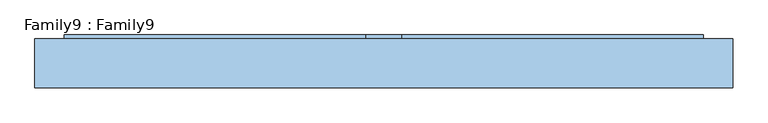
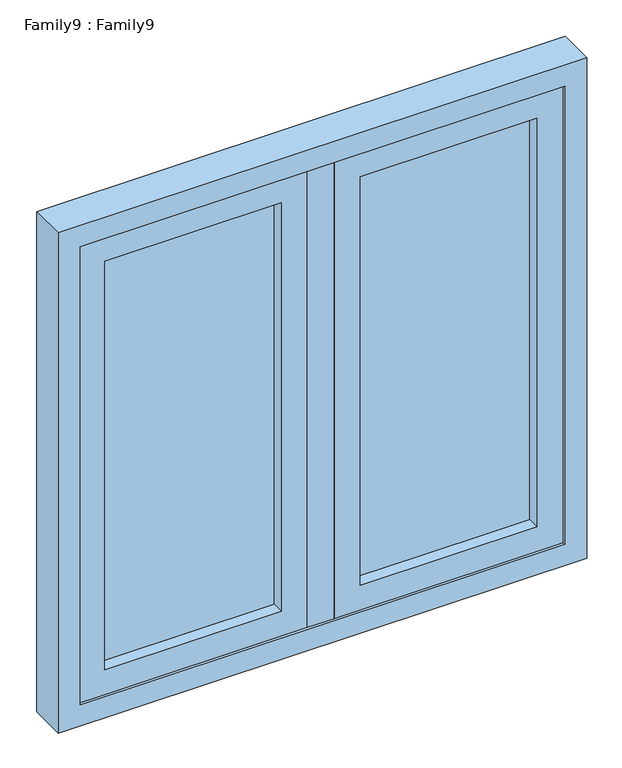
"""IFC4 building model written with IfcOpenShell, lengths in millimetres: window geometry, Family9 : Family9."""

from ifc_helpers import new_model, si_unit, frame, origin, place, context, project, spatial, polyline, outline, extrude, source, transform, mapped, element, save


def family9_family9_2c10fd57(model_context):
    return source(origin(), model_context, "Body", "SweptSolid", [
        extrude(outline(polyline([(486.0, 14.0), (486.0, 10.0), (89.0, 10.0), (89.0, 14.0), (486.0, 14.0)])), frame((0.0, 0.0, 909.0), z_axis=(0.0, 0.0, 1.0), x_axis=(1.0, 0.0, 0.0)), (0.0, 0.0, 1.0), 972.0),
        extrude(outline(polyline([(486.0, -10.0), (486.0, -14.0), (89.0, -14.0), (89.0, -10.0), (486.0, -10.0)])), frame((0.0, 0.0, 909.0), z_axis=(0.0, 0.0, 1.0), x_axis=(1.0, 0.0, 0.0)), (0.0, 0.0, 1.0), 972.0),
        extrude(outline(polyline([(-89.0, 14.0), (-89.0, 10.0), (-486.0, 10.0), (-486.0, 14.0), (-89.0, 14.0)])), frame((0.0, 0.0, 909.0), z_axis=(0.0, 0.0, 1.0), x_axis=(1.0, 0.0, 0.0)), (0.0, 0.0, 1.0), 972.0),
        extrude(outline(polyline([(-89.0, -10.0), (-89.0, -14.0), (-486.0, -14.0), (-486.0, -10.0), (-89.0, -10.0)])), frame((0.0, 0.0, 909.0), z_axis=(0.0, 0.0, 1.0), x_axis=(1.0, 0.0, 0.0)), (0.0, 0.0, 1.0), 972.0),
        extrude(outline(polyline([(30.0, -42.0), (-30.0, -42.0), (-30.0, 42.0), (30.0, 42.0), (30.0, -42.0)])), frame((0.0, 0.0, 850.0), z_axis=(0.0, 0.0, 1.0), x_axis=(1.0, 0.0, 0.0)), (0.0, 0.0, 1.0), 1090.0),
        extrude(outline(polyline([(1940.0, 545.0), (1940.0, 30.0), (850.0, 30.0), (850.0, 545.0), (1940.0, 545.0)]), holes=[polyline([(909.0, 486.0), (909.0, 89.0), (1881.0, 89.0), (1881.0, 486.0), (909.0, 486.0)])]), frame((0.0, -42.0, 0.0), z_axis=(0.0, 1.0, 0.0), x_axis=(0.0, 0.0, 1.0)), (0.0, 0.0, 1.0), 84.0),
        extrude(outline(polyline([(1940.0, -30.0), (1940.0, -545.0), (850.0, -545.0), (850.0, -30.0), (1940.0, -30.0)]), holes=[polyline([(909.0, -89.0), (909.0, -486.0), (1881.0, -486.0), (1881.0, -89.0), (909.0, -89.0)])]), frame((0.0, -42.0, 0.0), z_axis=(0.0, 1.0, 0.0), x_axis=(0.0, 0.0, 1.0)), (0.0, 0.0, 1.0), 84.0),
        extrude(outline(polyline([(1990.0, 595.0), (1990.0, -595.0), (800.0, -595.0), (800.0, 595.0), (1990.0, 595.0)]), holes=[polyline([(850.0, 545.0), (850.0, -545.0), (1940.0, -545.0), (1940.0, 545.0), (850.0, 545.0)])]), frame((0.0, -48.2132118, 0.0), z_axis=(0.0, 1.0, 0.0), x_axis=(0.0, 0.0, 1.0)), (0.0, 0.0, 1.0), 84.0),
    ])


if __name__ == "__main__":
    model = new_model("IFC4")
    model_context = context("Model", 3, world=origin())
    ifc_project = project(units=[si_unit("LENGTHUNIT", "METRE", prefix="MILLI")], contexts=[model_context])
    site = spatial("IfcSite", under=ifc_project)
    building = spatial("IfcBuilding", under=site)
    placement = place(None, origin())
    family9_family9_shape = family9_family9_2c10fd57(model_context)
    element("IfcWindow", 1, ObjectType="Family9 : Family9", at=placement, inside=building, context=model_context, shape_type="MappedRepresentation", body=[
        mapped(family9_family9_shape, transform((0.0, 0.0, 0.0), x_axis=(1.0, 0.0, 0.0), y_axis=(0.0, 1.0, 0.0), z_axis=(0.0, 0.0, 1.0))),
    ])
    save(model, "model.ifc")
